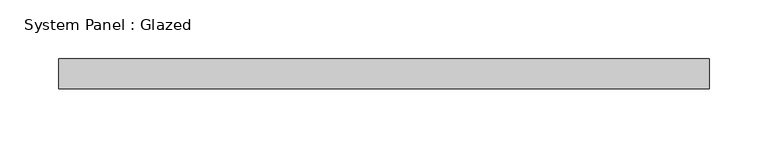
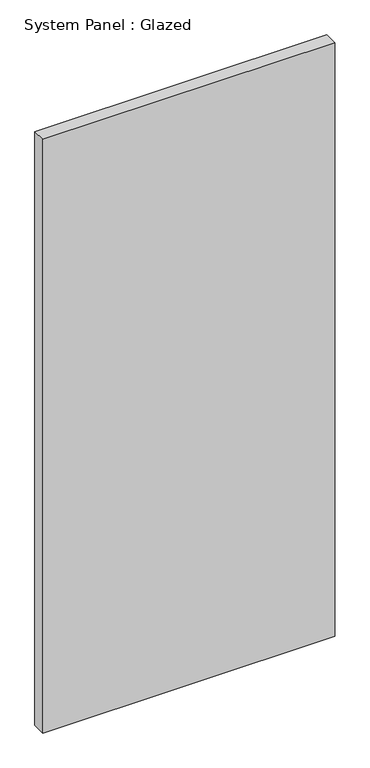
"""IFC4 building model written with IfcOpenShell, lengths in millimetres: plate geometry, System Panel : Glazed."""

from ifc_helpers import new_model, si_unit, origin, origin_with_axes, place, context, project, spatial, polyline, outline, extrude, source, transform, mapped, element, save


def system_panel_glazed_83714d27(model_context):
    return source(origin(), model_context, "Body", "SweptSolid", [
        extrude(outline(polyline([(276.225, -12.7), (-276.225, -12.7), (-276.225, 12.7), (276.225, 12.7), (276.225, -12.7)])), origin_with_axes(), (0.0, 0.0, 1.0), 1187.45),
    ])


if __name__ == "__main__":
    model = new_model("IFC4")
    model_context = context("Model", 3, world=origin())
    ifc_project = project(units=[si_unit("LENGTHUNIT", "METRE", prefix="MILLI")], contexts=[model_context])
    site = spatial("IfcSite", under=ifc_project)
    building = spatial("IfcBuilding", under=site)
    placement = place(None, origin())
    system_panel_glazed_shape = system_panel_glazed_83714d27(model_context)
    element("IfcPlate", 1, ObjectType="System Panel : Glazed", at=placement, inside=building, context=model_context, shape_type="MappedRepresentation", body=[
        mapped(system_panel_glazed_shape, transform((0.0, 0.0, 0.0), x_axis=(1.0, 0.0, 0.0), y_axis=(0.0, 1.0, 0.0), z_axis=(0.0, 0.0, 1.0))),
    ])
    save(model, "model.ifc")
